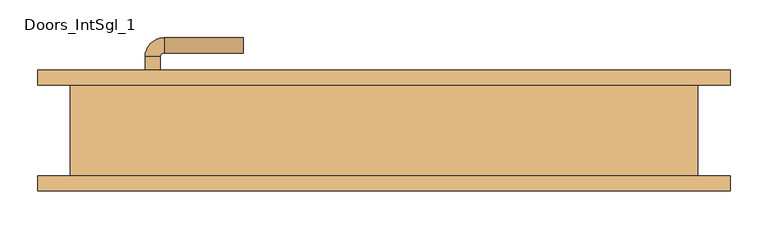
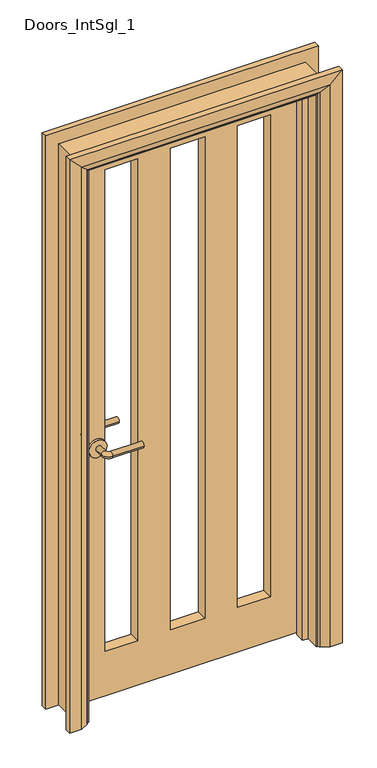
"""IFC4 building model written with IfcOpenShell, lengths in millimetres: door geometry, Doors_IntSgl_1."""

from ifc_helpers import new_model, si_unit, point, frame, frame_2d, origin, place, context, project, spatial, polyline, circle_curve, ellipse_curve, trimmed, segment, composite_curve, outline, extrude, faceted_brep, source, transform, mapped, element, save
from ifc_brep_helpers import plane_surface, cylinder_surface, revolved_surface, advanced_brep


def doors_intsgl_1_b5ae8f89(model_context):
    return source(origin(), model_context, "Body", "SolidModel", [
        advanced_brep(
        [(-316.0, 14.0, 900.0), (-296.0, 14.0, 900.0), (-296.0, -16.0, 900.0), (-316.0, -16.0, 900.0), (-291.0, -21.0, 900.0), (-291.0, -41.0, 900.0), (-186.0, -41.0, 900.0), (-186.0, -21.0, 900.0)],
        [
            (0, 1, circle_curve(frame((-306.0, 14.0, 900.0), z_axis=(0.0, 1.0, 0.0), x_axis=(1.0, 0.0, 0.0)), 10.0)),
            (1, 0, circle_curve(frame((-306.0, 14.0, 900.0), z_axis=(0.0, 1.0, 0.0), x_axis=(1.0, 0.0, 0.0)), 10.0)),
            (1, 2),
            (2, 3, circle_curve(frame((-306.0, -16.0, 900.0), z_axis=(0.0, 1.0, 0.0), x_axis=(1.0, 0.0, 0.0)), 10.0)),
            (3, 0),
            (3, 2, circle_curve(frame((-306.0, -16.0, 900.0), z_axis=(0.0, 1.0, 0.0), x_axis=(1.0, 0.0, 0.0)), 10.0)),
            (4, 5, circle_curve(frame((-291.0, -31.0, 900.0), z_axis=(-1.0, 0.0, 0.0), x_axis=(0.0, 1.0, 0.0)), 10.0)),
            (5, 3, circle_curve(frame((-291.0, -16.0, 900.0), z_axis=(0.0, 0.0, -1.0), x_axis=(-1.0, 0.0, 0.0)), 25.0)),
            (2, 4, circle_curve(frame((-291.0, -16.0, 900.0), z_axis=(0.0, 0.0, 1.0), x_axis=(-1.0, 0.0, 0.0)), 5.0)),
            (5, 4, circle_curve(frame((-291.0, -31.0, 900.0), z_axis=(-1.0, 0.0, 0.0), x_axis=(0.0, 1.0, 0.0)), 10.0)),
            (6, 7, circle_curve(frame((-186.0, -31.0, 900.0), z_axis=(1.0, 0.0, 0.0), x_axis=(0.0, 1.0, 0.0)), 10.0)),
            (7, 6, circle_curve(frame((-186.0, -31.0, 900.0), z_axis=(1.0, 0.0, 0.0), x_axis=(0.0, 1.0, 0.0)), 10.0)),
            (4, 7),
            (6, 5),
        ],
        [
            plane_surface(frame((-306.0, 14.0, 900.0), z_axis=(0.0, 1.0, 0.0), x_axis=(0.0, 0.0, 1.0))),
            cylinder_surface(frame((-306.0, 14.0, 900.0), z_axis=(0.0, 1.0, 0.0), x_axis=(1.0, 0.0, 0.0)), 10.0),
            revolved_surface(trimmed(ellipse_curve(frame((-306.0, -16.0, 900.0), z_axis=(0.0, -1.0, 0.0), x_axis=(1.0, 0.0, 0.0)), 10.0, 10.0), [point((-316.0, -16.0, 900.0))], [point((-296.0, -16.0, 900.0))], True, "CARTESIAN"), (-291.0, -16.0, 900.0), (0.0, 0.0, -1.0)),
            revolved_surface(trimmed(ellipse_curve(frame((-306.0, -16.0, 900.0), z_axis=(0.0, -1.0, 0.0), x_axis=(1.0, 0.0, 0.0)), 10.0, 10.0), [point((-296.0, -16.0, 900.0))], [point((-316.0, -16.0, 900.0))], True, "CARTESIAN"), (-291.0, -16.0, 900.0), (0.0, 0.0, -1.0)),
            plane_surface(frame((-186.0, -31.0, 900.0), z_axis=(1.0, 0.0, 0.0), x_axis=(0.0, 0.0, 1.0))),
            cylinder_surface(frame((-291.0, -31.0, 900.0), z_axis=(-1.0, 0.0, 0.0), x_axis=(0.0, 1.0, 0.0)), 10.0),
        ],
        [
            (0, [[1, 2]]),
            (1, [[3, 4, 5, -2]]),
            (1, [[-5, 6, -3, -1]]),
            (2, [[7, 8, -4, 9]]),
            (3, [[10, -9, -6, -8]]),
            (4, [[11, 12]]),
            (5, [[13, -11, 14, -7]]),
            (5, [[-14, -12, -13, -10]]),
        ],
    ),
        extrude(outline(composite_curve([segment(trimmed(circle_curve(frame_2d((900.0, -308.5)), 30.0), [point((900.0, -338.5))], [point((900.0, -278.5))], False, "CARTESIAN"), True, "CONTINUOUS"), segment(trimmed(circle_curve(frame_2d((900.0, -308.5)), 30.0), [point((900.0, -278.5))], [point((900.0, -338.5))], False, "CARTESIAN"), True, "CONTINUOUS")], self_intersect=False)), frame((0.0, 14.0, 0.0), z_axis=(0.0, 1.0, 0.0), x_axis=(0.0, 0.0, 1.0)), (0.0, 0.0, 1.0), 8.0),
        advanced_brep(
        [(-316.0, 68.0, 900.0), (-296.0, 68.0, 900.0), (-316.0, 98.0, 900.0), (-296.0, 98.0, 900.0), (-291.0, 103.0, 900.0), (-291.0, 123.0, 900.0), (-186.0, 123.0, 900.0), (-186.0, 103.0, 900.0)],
        [
            (0, 1, circle_curve(frame((-306.0, 68.0, 900.0), z_axis=(0.0, -1.0, 0.0), x_axis=(1.0, 0.0, 0.0)), 10.0)),
            (1, 0, circle_curve(frame((-306.0, 68.0, 900.0), z_axis=(0.0, -1.0, 0.0), x_axis=(1.0, 0.0, 0.0)), 10.0)),
            (0, 2),
            (2, 3, circle_curve(frame((-306.0, 98.0, 900.0), z_axis=(0.0, -1.0, 0.0), x_axis=(1.0, 0.0, 0.0)), 10.0)),
            (3, 1),
            (3, 2, circle_curve(frame((-306.0, 98.0, 900.0), z_axis=(0.0, -1.0, 0.0), x_axis=(1.0, 0.0, 0.0)), 10.0)),
            (4, 3, circle_curve(frame((-291.0, 98.0, 900.0), z_axis=(0.0, 0.0, 1.0), x_axis=(-1.0, 0.0, 0.0)), 5.0)),
            (2, 5, circle_curve(frame((-291.0, 98.0, 900.0), z_axis=(0.0, 0.0, -1.0), x_axis=(-1.0, 0.0, 0.0)), 25.0)),
            (5, 4, circle_curve(frame((-291.0, 113.0, 900.0), z_axis=(-1.0, 0.0, 0.0), x_axis=(0.0, -1.0, 0.0)), 10.0)),
            (4, 5, circle_curve(frame((-291.0, 113.0, 900.0), z_axis=(-1.0, 0.0, 0.0), x_axis=(0.0, -1.0, 0.0)), 10.0)),
            (6, 7, circle_curve(frame((-186.0, 113.0, 900.0), z_axis=(1.0, 0.0, 0.0), x_axis=(0.0, -1.0, 0.0)), 10.0)),
            (7, 6, circle_curve(frame((-186.0, 113.0, 900.0), z_axis=(1.0, 0.0, 0.0), x_axis=(0.0, -1.0, 0.0)), 10.0)),
            (5, 6),
            (7, 4),
        ],
        [
            plane_surface(frame((-306.0, 68.0, 900.0), z_axis=(0.0, -1.0, 0.0), x_axis=(0.0, 0.0, 1.0))),
            cylinder_surface(frame((-306.0, 68.0, 900.0), z_axis=(0.0, -1.0, 0.0), x_axis=(1.0, 0.0, 0.0)), 10.0),
            revolved_surface(trimmed(ellipse_curve(frame((-306.0, 98.0, 900.0), z_axis=(0.0, -1.0, 0.0), x_axis=(1.0, 0.0, 0.0)), 10.0, 10.0), [point((-316.0, 98.0, 900.0))], [point((-296.0, 98.0, 900.0))], True, "CARTESIAN"), (-291.0, 98.0, 900.0), (0.0, 0.0, -1.0)),
            revolved_surface(trimmed(ellipse_curve(frame((-306.0, 98.0, 900.0), z_axis=(0.0, -1.0, 0.0), x_axis=(1.0, 0.0, 0.0)), 10.0, 10.0), [point((-296.0, 98.0, 900.0))], [point((-316.0, 98.0, 900.0))], True, "CARTESIAN"), (-291.0, 98.0, 900.0), (0.0, 0.0, -1.0)),
            plane_surface(frame((-186.0, 113.0, 900.0), z_axis=(1.0, 0.0, 0.0), x_axis=(0.0, 0.0, 1.0))),
            cylinder_surface(frame((-291.0, 113.0, 900.0), z_axis=(-1.0, 0.0, 0.0), x_axis=(0.0, -1.0, 0.0)), 10.0),
        ],
        [
            (0, [[1, 2]]),
            (1, [[-1, 3, 4, 5]]),
            (1, [[-2, -5, 6, -3]]),
            (2, [[7, -4, 8, 9]]),
            (3, [[-8, -6, -7, 10]]),
            (4, [[11, 12]]),
            (5, [[-9, 13, -12, 14]]),
            (5, [[-10, -14, -11, -13]]),
        ],
    ),
        extrude(outline(composite_curve([segment(trimmed(circle_curve(frame_2d((900.0, -308.5)), 30.0), [point((900.0, -338.5))], [point((900.0, -278.5))], False, "CARTESIAN"), True, "CONTINUOUS"), segment(trimmed(circle_curve(frame_2d((900.0, -308.5)), 30.0), [point((900.0, -278.5))], [point((900.0, -338.5))], False, "CARTESIAN"), True, "CONTINUOUS")], self_intersect=False)), frame((0.0, 60.0, 0.0), z_axis=(0.0, 1.0, 0.0), x_axis=(0.0, 0.0, 1.0)), (0.0, 0.0, 1.0), 8.0),
        extrude(outline(polyline([(1958.0, -381.0), (8.0, -381.0), (8.0, 381.0), (1958.0, 381.0), (1958.0, -381.0)]), holes=[polyline([(1875.9867055, -170.7079267), (165.9867055, -170.7079267), (165.9867055, -280.7079267), (1875.9867055, -280.7079267), (1875.9867055, -170.7079267)]), polyline([(165.9867055, -60.7079267), (1875.9867055, -60.7079267), (1875.9867055, 55.2920733), (165.9867055, 55.2920733), (165.9867055, -60.7079267)]), polyline([(165.9867055, 165.2920733), (1875.9867055, 165.2920733), (1875.9867055, 275.2920733), (165.9867055, 275.2920733), (165.9867055, 165.2920733)])]), frame((0.0, 22.0, 0.0), z_axis=(0.0, 1.0, 0.0), x_axis=(0.0, 0.0, 1.0)), (0.0, 0.0, 1.0), 38.0),
        advanced_brep(
        [(458.0, 80.0, 0.0), (458.0, 60.0, 0.0), (388.0, 60.0, 0.0), (392.0, 66.0, 0.0), (418.0, 80.0, 0.0), (458.0, 80.0, 2035.0), (458.0, 60.0, 2035.0), (-458.0, 60.0, 2035.0), (-458.0, 60.0, 0.0), (-388.0, 60.0, 0.0), (-388.0, 60.0, 1965.0), (388.0, 60.0, 1965.0), (392.0, 66.0, 1969.0), (418.0, 80.0, 1995.0), (-418.0, 80.0, 1995.0), (-418.0, 80.0, 0.0), (-458.0, 80.0, 0.0), (-458.0, 80.0, 2035.0), (-392.0, 66.0, 0.0), (-392.0, 66.0, 1969.0)],
        [
            (0, 1),
            (1, 2),
            (2, 3, circle_curve(frame((396.0, 59.0, 0.0), z_axis=(0.0, 0.0, -1.0), x_axis=(1.0, 0.0, 0.0)), 8.0622577)),
            (3, 4),
            (4, 0),
            (0, 5),
            (5, 6),
            (6, 1),
            (6, 7),
            (7, 8),
            (8, 9),
            (9, 10),
            (10, 11),
            (11, 2),
            (11, 12, ellipse_curve(frame((396.0, 59.0, 1973.0), z_axis=(0.7071067811865475, 0.0, -0.7071067811865475), x_axis=(-0.7071067811865474, 0.0, -0.7071067811865476)), 11.4017543, 8.0622577)),
            (12, 3),
            (12, 13),
            (13, 4),
            (13, 14),
            (14, 15),
            (15, 16),
            (16, 17),
            (17, 5),
            (7, 17),
            (16, 8),
            (15, 18),
            (18, 9, circle_curve(frame((-396.0, 59.0, 0.0), z_axis=(0.0, 0.0, -1.0), x_axis=(-1.0, 0.0, 0.0)), 8.0622577)),
            (19, 10, ellipse_curve(frame((-396.0, 59.0, 1973.0), z_axis=(-0.7071067811865475, 0.0, -0.7071067811865475), x_axis=(-0.7071067811865474, 0.0, 0.7071067811865476)), 11.4017543, 8.0622577)),
            (18, 19),
            (14, 19),
            (19, 12),
        ],
        [
            plane_surface(frame((388.0, 60.0, 0.0), z_axis=(0.0, 0.0, -1.0), x_axis=(0.0, -1.0, 0.0))),
            plane_surface(frame((458.0, 80.0, 0.0), z_axis=(1.0, 0.0, 0.0), x_axis=(0.0, 0.0, 1.0))),
            plane_surface(frame((458.0, 60.0, 0.0), z_axis=(0.0, -1.0, 0.0), x_axis=(0.0, 0.0, 1.0))),
            cylinder_surface(frame((396.0, 59.0, 0.0), z_axis=(0.0, 0.0, -1.0), x_axis=(1.0, 0.0, 0.0)), 8.0622577),
            plane_surface(frame((392.0, 66.0, 0.0), z_axis=(-0.4740998230350126, 0.880471099922178, 0.0), x_axis=(0.0, 0.0, 1.0))),
            plane_surface(frame((418.0, 80.0, 0.0), z_axis=(0.0, 1.0, 0.0), x_axis=(0.0, 0.0, 1.0))),
            plane_surface(frame((-458.0, 80.0, 2035.0), z_axis=(-1.0, 0.0, 0.0), x_axis=(0.0, 0.0, -1.0))),
            plane_surface(frame((-388.0, 60.0, 0.0), z_axis=(0.0, 0.0, -1.0), x_axis=(0.0, -1.0, 0.0))),
            cylinder_surface(frame((-396.0, 59.0, 1965.0), z_axis=(0.0, 0.0, 1.0), x_axis=(-1.0, 0.0, 0.0)), 8.0622577),
            plane_surface(frame((-392.0, 66.0, 1969.0), z_axis=(0.47409982303501824, 0.8804710999221749, 0.0), x_axis=(0.0, 0.0, -1.0))),
            plane_surface(frame((458.0, 80.0, 2035.0), z_axis=(0.0, 0.0, 1.0), x_axis=(-1.0, 0.0, 0.0))),
            cylinder_surface(frame((388.0, 59.0, 1973.0), z_axis=(1.0, 0.0, 0.0), x_axis=(0.0, 0.0, 1.0)), 8.0622577),
            plane_surface(frame((392.0, 66.0, 1969.0), z_axis=(0.0, 0.8804710999221764, -0.4740998230350154), x_axis=(-1.0, 0.0, 0.0))),
        ],
        [
            (0, [[1, 2, 3, 4, 5]]),
            (1, [[-1, 6, 7, 8]]),
            (2, [[-2, -8, 9, 10, 11, 12, 13, 14]]),
            (3, [[-3, -14, 15, 16]]),
            (4, [[-4, -16, 17, 18]]),
            (5, [[-5, -18, 19, 20, 21, 22, 23, -6]]),
            (6, [[24, -22, 25, -10]]),
            (7, [[-21, 26, 27, -11, -25]]),
            (8, [[28, -12, -27, 29]]),
            (9, [[30, -29, -26, -20]]),
            (10, [[-7, -23, -24, -9]]),
            (11, [[-15, -13, -28, 31]]),
            (12, [[-17, -31, -30, -19]]),
        ],
    ),
        extrude(outline(polyline([(0.0, -383.0), (0.0, -364.0), (1941.0, -364.0), (1941.0, 364.0), (0.0, 364.0), (0.0, 383.0), (1960.0, 383.0), (1960.0, -383.0), (0.0, -383.0)])), frame((0.0, -12.0, 0.0), z_axis=(0.0, 1.0, 0.0), x_axis=(0.0, 0.0, 1.0)), (0.0, 0.0, 1.0), 32.0),
        advanced_brep(
        [(-458.0, -80.0, 0.0), (-458.0, -60.0, 0.0), (-388.0, -60.0, 0.0), (-392.0, -66.0, 0.0), (-418.0, -80.0, 0.0), (-458.0, -80.0, 2035.0), (-458.0, -60.0, 2035.0), (-388.0, -60.0, 1965.0), (-392.0, -66.0, 1969.0), (-418.0, -80.0, 1995.0), (458.0, -80.0, 0.0), (418.0, -80.0, 0.0), (392.0, -66.0, 0.0), (388.0, -60.0, 0.0), (458.0, -60.0, 0.0), (458.0, -80.0, 2035.0), (418.0, -80.0, 1995.0), (392.0, -66.0, 1969.0), (388.0, -60.0, 1965.0), (458.0, -60.0, 2035.0)],
        [
            (0, 1),
            (1, 2),
            (2, 3, circle_curve(frame((-396.0, -59.0, 0.0), z_axis=(0.0, 0.0, -1.0), x_axis=(-1.0, 0.0, 0.0)), 8.0622577)),
            (3, 4),
            (4, 0),
            (0, 5),
            (5, 6),
            (6, 1),
            (6, 7),
            (7, 2),
            (7, 8, ellipse_curve(frame((-396.0, -59.0, 1973.0), z_axis=(-0.7071067811865475, 0.0, -0.7071067811865475), x_axis=(0.7071067811865474, 0.0, -0.7071067811865476)), 11.4017543, 8.0622577)),
            (8, 3),
            (8, 9),
            (9, 4),
            (9, 5),
            (10, 11),
            (11, 12),
            (12, 13, circle_curve(frame((396.0, -59.0, 0.0), z_axis=(0.0, 0.0, -1.0), x_axis=(1.0, 0.0, 0.0)), 8.0622577)),
            (13, 14),
            (14, 10),
            (15, 16),
            (16, 11),
            (10, 15),
            (16, 17),
            (17, 12),
            (17, 18, ellipse_curve(frame((396.0, -59.0, 1973.0), z_axis=(0.7071067811865475, 0.0, -0.7071067811865475), x_axis=(0.7071067811865474, 0.0, 0.7071067811865476)), 11.4017543, 8.0622577)),
            (18, 13),
            (18, 19),
            (19, 14),
            (19, 15),
            (5, 15),
            (19, 6),
            (18, 7),
            (17, 8),
            (16, 9),
        ],
        [
            plane_surface(frame((-388.0, -132.8010989, 0.0), z_axis=(0.0, 0.0, -1.0), x_axis=(1.0, 0.0, 0.0))),
            plane_surface(frame((-458.0, -80.0, 0.0), z_axis=(-1.0, 0.0, 0.0), x_axis=(0.0, 0.0, 1.0))),
            plane_surface(frame((-458.0, -60.0, 0.0), z_axis=(0.0, 1.0, 0.0), x_axis=(0.0, 0.0, 1.0))),
            cylinder_surface(frame((-396.0, -59.0, 0.0), z_axis=(0.0, 0.0, -1.0), x_axis=(-1.0, 0.0, 0.0)), 8.0622577),
            plane_surface(frame((-392.0, -66.0, 0.0), z_axis=(0.4740998230350183, -0.8804710999221749, 0.0), x_axis=(0.0, 0.0, 1.0))),
            plane_surface(frame((-418.0, -80.0, 0.0), z_axis=(0.0, -1.0, 0.0), x_axis=(0.0, 0.0, 1.0))),
            plane_surface(frame((388.0, -132.8010989, 0.0), z_axis=(0.0, 0.0, -1.0), x_axis=(-1.0, 0.0, 0.0))),
            plane_surface(frame((418.0, -80.0, 1995.0), z_axis=(0.0, -1.0, 0.0), x_axis=(0.0, 0.0, -1.0))),
            plane_surface(frame((392.0, -66.0, 1969.0), z_axis=(-0.4740998230350183, -0.8804710999221749, 0.0), x_axis=(0.0, 0.0, -1.0))),
            cylinder_surface(frame((396.0, -59.0, 1965.0), z_axis=(0.0, 0.0, 1.0), x_axis=(1.0, 0.0, 0.0)), 8.0622577),
            plane_surface(frame((458.0, -60.0, 2035.0), z_axis=(0.0, 1.0, 0.0), x_axis=(0.0, 0.0, -1.0))),
            plane_surface(frame((458.0, -80.0, 2035.0), z_axis=(1.0, 0.0, 0.0), x_axis=(0.0, 0.0, -1.0))),
            plane_surface(frame((-458.0, -80.0, 2035.0), z_axis=(0.0, 0.0, 1.0), x_axis=(1.0, 0.0, 0.0))),
            plane_surface(frame((-458.0, -60.0, 2035.0), z_axis=(0.0, 1.0, 0.0), x_axis=(1.0, 0.0, 0.0))),
            cylinder_surface(frame((-388.0, -59.0, 1973.0), z_axis=(-1.0, 0.0, 0.0), x_axis=(0.0, 0.0, 1.0)), 8.0622577),
            plane_surface(frame((-392.0, -66.0, 1969.0), z_axis=(0.0, -0.8804710999221749, -0.4740998230350183), x_axis=(1.0, 0.0, 0.0))),
            plane_surface(frame((-418.0, -80.0, 1995.0), z_axis=(0.0, -1.0, 0.0), x_axis=(1.0, 0.0, 0.0))),
        ],
        [
            (0, [[1, 2, 3, 4, 5]]),
            (1, [[-1, 6, 7, 8]]),
            (2, [[-2, -8, 9, 10]]),
            (3, [[-3, -10, 11, 12]]),
            (4, [[-4, -12, 13, 14]]),
            (5, [[-5, -14, 15, -6]]),
            (6, [[16, 17, 18, 19, 20]]),
            (7, [[21, 22, -16, 23]]),
            (8, [[24, 25, -17, -22]]),
            (9, [[26, 27, -18, -25]]),
            (10, [[28, 29, -19, -27]]),
            (11, [[30, -23, -20, -29]]),
            (12, [[-7, 31, -30, 32]]),
            (13, [[-9, -32, -28, 33]]),
            (14, [[-11, -33, -26, 34]]),
            (15, [[-13, -34, -24, 35]]),
            (16, [[-15, -35, -21, -31]]),
        ],
    ),
        faceted_brep([(-383.0, 60.0, 0.0), (-383.0, -60.0, 0.0), (-415.0, -60.0, 0.0), (-415.0, 60.0, 0.0), (-383.0, 60.0, 1960.0), (-383.0, -60.0, 1960.0), (-415.0, -60.0, 1992.0), (-415.0, 60.0, 1992.0), (383.0, 60.0, 0.0), (415.0, 60.0, 0.0), (415.0, -60.0, 0.0), (383.0, -60.0, 0.0), (383.0, 60.0, 1960.0), (415.0, 60.0, 1992.0), (415.0, -60.0, 1992.0), (383.0, -60.0, 1960.0)], [[[0, 1, 2, 3]], [[1, 0, 4, 5]], [[2, 1, 5, 6]], [[3, 2, 6, 7]], [[0, 3, 7, 4]], [[8, 9, 10, 11]], [[12, 13, 9, 8]], [[13, 14, 10, 9]], [[14, 15, 11, 10]], [[15, 12, 8, 11]], [[5, 4, 12, 15]], [[6, 5, 15, 14]], [[7, 6, 14, 13]], [[4, 7, 13, 12]]]),
    ])


if __name__ == "__main__":
    model = new_model("IFC4")
    model_context = context("Model", 3, world=origin())
    ifc_project = project(units=[si_unit("LENGTHUNIT", "METRE", prefix="MILLI")], contexts=[model_context])
    site = spatial("IfcSite", under=ifc_project)
    building = spatial("IfcBuilding", under=site)
    placement = place(None, origin())
    doors_intsgl_1_shape = doors_intsgl_1_b5ae8f89(model_context)
    element("IfcDoor", 1, ObjectType="Doors_IntSgl_1", at=placement, inside=building, context=model_context, shape_type="MappedRepresentation", body=[
        mapped(doors_intsgl_1_shape, transform((0.0, 0.0, 0.0), x_axis=(1.0, 0.0, 0.0), y_axis=(0.0, 1.0, 0.0), z_axis=(0.0, 0.0, 1.0))),
    ])
    save(model, "model.ifc")
